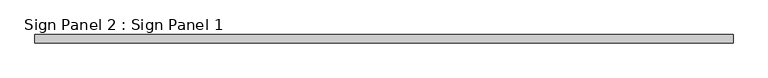
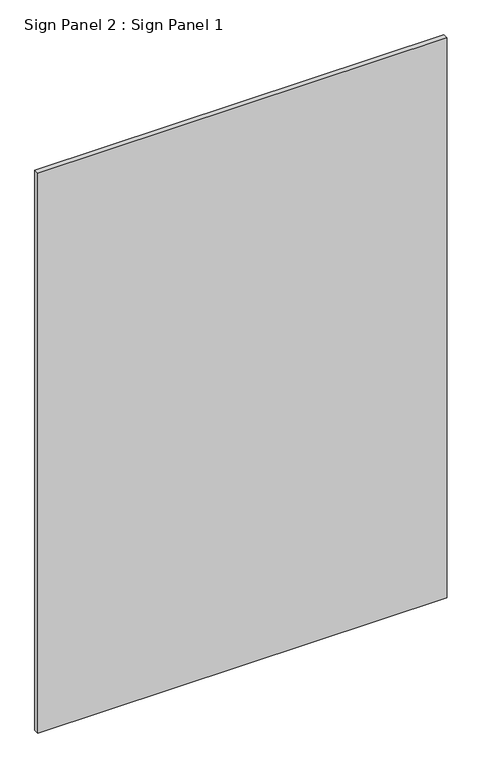
"""IFC4 building model written with IfcOpenShell, lengths in millimetres: proxy geometry, Sign Panel 2 : Sign Panel 1."""

from ifc_helpers import new_model, si_unit, frame, origin, place, context, project, spatial, polyline, outline, extrude, source, transform, mapped, element, save


def sign_panel_2_sign_panel_1_7af62198(model_context):
    return source(origin(), model_context, "Body", "SweptSolid", [
        extrude(outline(polyline([(228988.1228488, 158623.7596581), (227934.0228488, 158623.7596581), (227934.0228488, 158636.4596581), (228988.1228488, 158636.4596581), (228988.1228488, 158623.7596581)])), frame((0.0, 0.0, 677.1592564), z_axis=(0.0, 0.0, 1.0), x_axis=(1.0, 0.0, 0.0)), (0.0, 0.0, 1.0), 1524.0),
    ])


if __name__ == "__main__":
    model = new_model("IFC4")
    model_context = context("Model", 3, world=origin())
    ifc_project = project(units=[si_unit("LENGTHUNIT", "METRE", prefix="MILLI")], contexts=[model_context])
    site = spatial("IfcSite", under=ifc_project)
    building = spatial("IfcBuilding", under=site)
    placement = place(None, origin())
    sign_panel_2_sign_panel_1_shape = sign_panel_2_sign_panel_1_7af62198(model_context)
    element("IfcBuildingElementProxy", 1, Name="Sign Panel 2 : Sign Panel 1", ObjectType="Sign Panel 2 : Sign Panel 1", at=placement, inside=building, context=model_context, shape_type="MappedRepresentation", body=[
        mapped(sign_panel_2_sign_panel_1_shape, transform((0.0, 0.0, 0.0), x_axis=(1.0, 0.0, 0.0), y_axis=(0.0, 1.0, 0.0), z_axis=(0.0, 0.0, 1.0))),
    ])
    save(model, "model.ifc")
